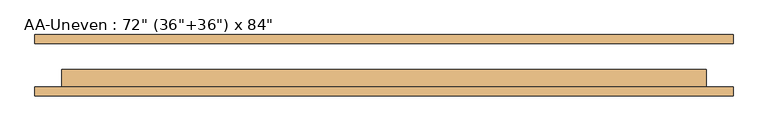
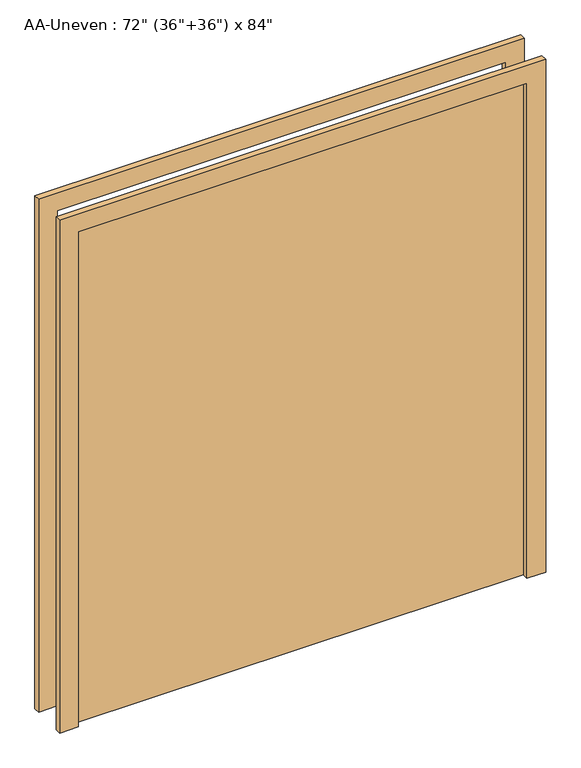
"""IFC4 building model written with IfcOpenShell, lengths in millimetres: door geometry."""

import ifcopenshell
import ifcopenshell.guid

model = None  # the IFC model being written
_history = None  # IfcOwnerHistory: only IFC2X3 demands one
_inside = {}  # id of a spatial element -> (the spatial element, [elements in it])
_under = {}  # id of a project, library or spatial element -> (it, [spatial elements below it])
_declared = {}  # id of a project -> (the project, [libraries it declares])
_typed = {}  # id of a type object -> (the type object, [elements of that type])
_made_of = {}  # id of a material, layer set ... -> (it, [elements and type objects made of it])


def new_model(schema):
    """Start an empty IFC model of exactly this schema.

    Asked for "IFC4X3", IfcOpenShell would pick the latest addendum, in which some entities
    have other attributes; the version numbers below select the first issue.
    IFC2X3 requires an IfcOwnerHistory on every rooted entity: one is made here for all.
    """
    global model, _history
    if schema == "IFC4X3":
        model = ifcopenshell.file(schema_version=(4, 3, 0, 0))
    else:
        model = ifcopenshell.file(schema=schema)
    _inside.clear()
    _under.clear()
    _declared.clear()
    _typed.clear()
    _made_of.clear()
    _history = None
    if model.schema == "IFC2X3":
        org = make("IfcOrganization", Name="unknown")
        user = make(
            "IfcPersonAndOrganization",
            ThePerson=make("IfcPerson", FamilyName="unknown"),
            TheOrganization=org,
        )
        app = make(
            "IfcApplication",
            ApplicationDeveloper=org,
            Version="unknown",
            ApplicationFullName="unknown",
            ApplicationIdentifier="unknown",
        )
        _history = make(
            "IfcOwnerHistory",
            OwningUser=user,
            OwningApplication=app,
            ChangeAction="ADDED",
            CreationDate=0,
        )
    return model


def make(cls, **values):
    """One entity of the class cls with the attributes given. An attribute that is None is left unset."""
    return model.create_entity(
        cls, **{name: value for name, value in values.items() if value is not None}
    )


def rooted(cls, **values):
    """An entity with a GlobalId (a new one), such as an element, a storey or a relation."""
    return make(cls, GlobalId=ifcopenshell.guid.new(), OwnerHistory=_history, **values)


def si_unit(unit_type, name, prefix=None):
    """IfcSIUnit, for example si_unit("LENGTHUNIT", "METRE", prefix="MILLI")."""
    return make("IfcSIUnit", UnitType=unit_type, Prefix=prefix, Name=name)


def assignment(units):
    """IfcUnitAssignment: the units of a project."""
    return None if units is None else make("IfcUnitAssignment", Units=units)


def point(xyz):
    """IfcCartesianPoint."""
    return None if xyz is None else make("IfcCartesianPoint", Coordinates=xyz)


def direction(xyz):
    """IfcDirection."""
    return None if xyz is None else make("IfcDirection", DirectionRatios=xyz)


def frame(location, z_axis=None, x_axis=None):
    """IfcAxis2Placement3D, a coordinate frame: its origin and axes. An axis left out is left unset."""
    return make(
        "IfcAxis2Placement3D",
        Location=point(location),
        Axis=direction(z_axis),
        RefDirection=direction(x_axis),
    )


def origin():
    """The frame at (0, 0, 0) with its axes left unset."""
    return frame((0.0, 0.0, 0.0))


def origin_with_axes():
    """The frame at (0, 0, 0) with the z axis (0, 0, 1) and the x axis (1, 0, 0) written out."""
    return frame((0.0, 0.0, 0.0), z_axis=(0.0, 0.0, 1.0), x_axis=(1.0, 0.0, 0.0))


def place(relative_to, where):
    """IfcLocalPlacement: puts the frame where relative to a parent placement (None: the world)."""
    return make(
        "IfcLocalPlacement", PlacementRelTo=relative_to, RelativePlacement=where
    )


def context(
    kind, dimensions, precision=None, world=None, true_north=None, identifier=None
):
    """IfcGeometricRepresentationContext, for example the 3D "Model" context."""
    return make(
        "IfcGeometricRepresentationContext",
        ContextIdentifier=identifier,
        ContextType=kind,
        CoordinateSpaceDimension=dimensions,
        Precision=precision,
        WorldCoordinateSystem=world,
        TrueNorth=true_north,
    )


def project(units=None, contexts=None):
    """IfcProject with its units and contexts."""
    return rooted(
        "IfcProject",
        Name="project",
        RepresentationContexts=contexts,
        UnitsInContext=assignment(units),
    )


def spatial(cls, under=None, at=None, **own):
    """A site, building, storey or space (cls), placed at a placement, below another one or the project."""
    s = rooted(cls, ObjectPlacement=at, **own)
    if under is not None:
        _under.setdefault(under.id(), (under, []))[1].append(s)
    return s


def polyline(points):
    """IfcPolyline through the points."""
    return make("IfcPolyline", Points=[point(p) for p in points])


def outline(outer, holes=None, kind="AREA"):
    """IfcArbitraryClosedProfileDef: a profile drawn as a closed curve; with holes, ...WithVoids."""
    if holes is None:
        return make("IfcArbitraryClosedProfileDef", ProfileType=kind, OuterCurve=outer)
    return make(
        "IfcArbitraryProfileDefWithVoids",
        ProfileType=kind,
        OuterCurve=outer,
        InnerCurves=holes,
    )


def extrude(swept, where, along, depth):
    """IfcExtrudedAreaSolid: the profile swept, set in the frame where, extruded along a direction by depth."""
    return make(
        "IfcExtrudedAreaSolid",
        SweptArea=swept,
        Position=where,
        ExtrudedDirection=direction(along),
        Depth=depth,
    )


def shape(context_of_items, identifier, shape_type, items):
    """IfcShapeRepresentation: the items that make up one representation, for example the "Body"."""
    return make(
        "IfcShapeRepresentation",
        ContextOfItems=context_of_items,
        RepresentationIdentifier=identifier,
        RepresentationType=shape_type,
        Items=items,
    )


def source(mapping_origin, context_of_items, identifier, shape_type, items):
    """IfcRepresentationMap: a shape defined once, which mapped items show again and again."""
    return make(
        "IfcRepresentationMap",
        MappingOrigin=mapping_origin,
        MappedRepresentation=shape(context_of_items, identifier, shape_type, items),
    )


def transform(
    local_origin,
    x_axis=None,
    y_axis=None,
    z_axis=None,
    scale=None,
    scale2=None,
    scale3=None,
    uniform=True,
):
    """IfcCartesianTransformationOperator3D, or its non-uniform kind. x_axis, y_axis, z_axis: its Axis1, 2, 3."""
    if uniform:
        return make(
            "IfcCartesianTransformationOperator3D",
            Axis1=direction(x_axis),
            Axis2=direction(y_axis),
            LocalOrigin=point(local_origin),
            Scale=scale,
            Axis3=direction(z_axis),
        )
    return make(
        "IfcCartesianTransformationOperator3DnonUniform",
        Axis1=direction(x_axis),
        Axis2=direction(y_axis),
        LocalOrigin=point(local_origin),
        Scale=scale,
        Axis3=direction(z_axis),
        Scale2=scale2,
        Scale3=scale3,
    )


def mapped(mapping_source, mapping_target):
    """IfcMappedItem: shows the shape of a source again, moved by a transform."""
    return make(
        "IfcMappedItem", MappingSource=mapping_source, MappingTarget=mapping_target
    )


def made_of(thing, what):
    """Note that an element or type object is made of a material, layer set ...; save() writes the relation."""
    if what is not None:
        _made_of.setdefault(what.id(), (what, []))[1].append(thing)
    return thing


def element(
    cls,
    number,
    at=None,
    inside=None,
    cuts=None,
    type_object=None,
    material=None,
    context=None,
    identifier="Body",
    shape_type=None,
    held_by="IfcProductDefinitionShape",
    body=None,
    shapes=None,
    **own,
):
    """One element of the class cls, such as IfcWall. Its Tag is "e" and its number.

    at: its placement. inside: the storey or other place that contains it. cuts: it is an
    opening in that element (IfcRelVoidsElement). A single representation is given by context,
    identifier, shape_type and body (its items); several are given by shapes. held_by: the class
    of the entity that holds the representations. save() writes the other relations.
    """
    e = rooted(cls, Tag="e%d" % number, ObjectPlacement=at, **own)
    if body is not None:
        shapes = [shape(context, identifier, shape_type, body)]
    if shapes is not None:
        e.Representation = make(held_by, Representations=shapes)
    if inside is not None:
        _inside.setdefault(inside.id(), (inside, []))[1].append(e)
    if cuts is not None:
        rooted(
            "IfcRelVoidsElement", RelatingBuildingElement=cuts, RelatedOpeningElement=e
        )
    if type_object is not None:
        _typed.setdefault(type_object.id(), (type_object, []))[1].append(e)
    return made_of(e, material)


def aggregate(whole, parts):
    """IfcRelAggregates: a whole, such as a stair, and the parts it consists of."""
    return rooted("IfcRelAggregates", RelatingObject=whole, RelatedObjects=parts)


def save(model, path):
    """Write the relations noted so far, then the file.

    IfcRelAggregates (storeys below a building ...), IfcRelContainedInSpatialStructure (elements
    in a storey), IfcRelDefinesByType, IfcRelAssociatesMaterial and IfcRelDeclares: one each for
    every whole, place, type object, material and project.
    """
    for whole, parts in _under.values():
        aggregate(whole, parts)
    for where, things in _inside.values():
        rooted(
            "IfcRelContainedInSpatialStructure",
            RelatedElements=things,
            RelatingStructure=where,
        )
    for kind, things in _typed.values():
        rooted("IfcRelDefinesByType", RelatedObjects=things, RelatingType=kind)
    for what, things in _made_of.values():
        rooted("IfcRelAssociatesMaterial", RelatedObjects=things, RelatingMaterial=what)
    for by, libraries in _declared.values():
        rooted("IfcRelDeclares", RelatingContext=by, RelatedDefinitions=libraries)
    model.write(path)


def door_0a08d2a3(model_context):
    return source(origin(), model_context, "Body", "SweptSolid", [
        extrude(outline(polyline([(101.6, -61.9125), (-1727.2, -61.9125), (-1727.2, -11.1125), (101.6, -11.1125), (101.6, -61.9125)])), origin_with_axes(), (0.0, 0.0, 1.0), 2133.6),
        extrude(outline(polyline([(2133.6, -1727.2), (2133.6, 101.6), (0.0, 101.6), (0.0, 177.8), (2209.8, 177.8), (2209.8, -1803.4), (0.0, -1803.4), (0.0, -1727.2), (2133.6, -1727.2)])), frame((0.0, 61.9125, 0.0), z_axis=(0.0, 1.0, 0.0), x_axis=(0.0, 0.0, 1.0)), (0.0, 0.0, 1.0), 25.4),
        extrude(outline(polyline([(2133.6, -1727.2), (2133.6, 101.6), (0.0, 101.6), (0.0, 177.8), (2209.8, 177.8), (2209.8, -1803.4), (0.0, -1803.4), (0.0, -1727.2), (2133.6, -1727.2)])), frame((0.0, -87.3125, 0.0), z_axis=(0.0, 1.0, 0.0), x_axis=(0.0, 0.0, 1.0)), (0.0, 0.0, 1.0), 25.4),
    ])


if __name__ == "__main__":
    model = new_model("IFC4")
    model_context = context("Model", 3, world=origin())
    ifc_project = project(units=[si_unit("LENGTHUNIT", "METRE", prefix="MILLI")], contexts=[model_context])
    site = spatial("IfcSite", under=ifc_project)
    building = spatial("IfcBuilding", under=site)
    placement = place(None, origin())
    door_shape = door_0a08d2a3(model_context)
    element("IfcDoor", 1, ObjectType="AA-Uneven : 72\" (36\"+36\") x 84\"", at=placement, inside=building, context=model_context, shape_type="MappedRepresentation", body=[
        mapped(door_shape, transform((0.0, 0.0, 0.0), x_axis=(1.0, 0.0, 0.0), y_axis=(0.0, 1.0, 0.0), z_axis=(0.0, 0.0, 1.0))),
    ])
    save(model, "model.ifc")
